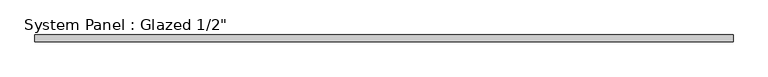
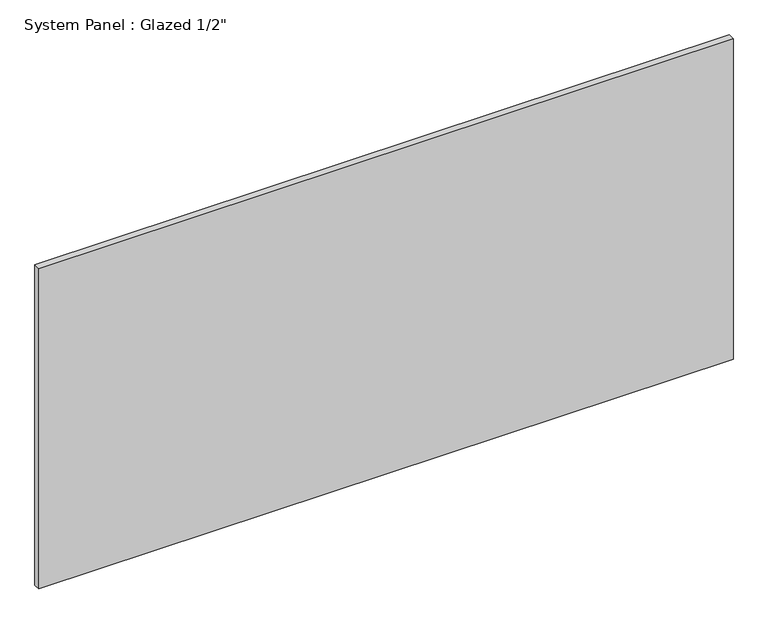
"""IFC4 building model written with IfcOpenShell, lengths in millimetres: plate geometry."""

from ifc_helpers import new_model, si_unit, origin, origin_with_axes, place, context, project, spatial, polyline, outline, extrude, source, transform, mapped, element, save


def plate_a509f3b0(model_context):
    return source(origin(), model_context, "Body", "SweptSolid", [
        extrude(outline(polyline([(644.525, -6.35), (-644.525, -6.35), (-644.525, 6.35), (644.525, 6.35), (644.525, -6.35)])), origin_with_axes(), (0.0, 0.0, 1.0), 628.65),
    ])


if __name__ == "__main__":
    model = new_model("IFC4")
    model_context = context("Model", 3, world=origin())
    ifc_project = project(units=[si_unit("LENGTHUNIT", "METRE", prefix="MILLI")], contexts=[model_context])
    site = spatial("IfcSite", under=ifc_project)
    building = spatial("IfcBuilding", under=site)
    placement = place(None, origin())
    plate_shape = plate_a509f3b0(model_context)
    element("IfcPlate", 1, ObjectType="System Panel : Glazed 1/2\"", at=placement, inside=building, context=model_context, shape_type="MappedRepresentation", body=[
        mapped(plate_shape, transform((0.0, 0.0, 0.0), x_axis=(1.0, 0.0, 0.0), y_axis=(0.0, 1.0, 0.0), z_axis=(0.0, 0.0, 1.0))),
    ])
    save(model, "model.ifc")
